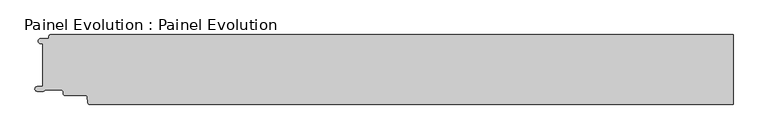
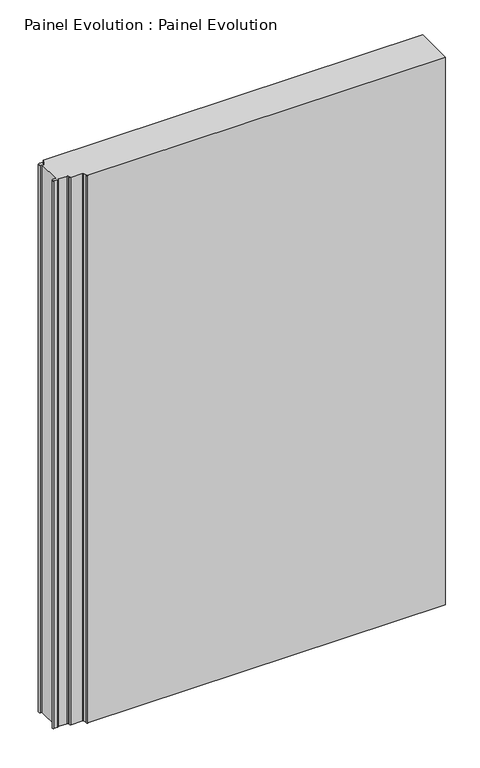
"""IFC4 building model written with IfcOpenShell, lengths in millimetres: proxy geometry, Painel Evolution : Painel Evolution."""

from ifc_helpers import new_model, si_unit, point, frame_2d, origin, origin_with_axes, place, context, project, spatial, polyline, circle_curve, trimmed, segment, composite_curve, outline, extrude, source, transform, mapped, element, save


def painel_evolution_painel_evolution_79d3c5e6(model_context):
    return source(origin(), model_context, "Body", "SweptSolid", [
        extrude(outline(composite_curve([segment(polyline([(-516.0390625, 50.0), (459.9999997, 50.0), (459.9999997, -50.0), (-459.4023864, -50.0)]), True, "CONTINUOUS"), segment(trimmed(circle_curve(frame_2d((-459.3507103, -47.1106339)), 2.8898282), [point((-459.4023864, -50.0))], [point((-462.2295384, -47.3625382))], False, "CARTESIAN"), True, "CONTINUOUS"), segment(polyline([(-462.2295384, -47.3625382), (-462.9760411, -38.8313116)]), True, "CONTINUOUS"), segment(trimmed(circle_curve(frame_2d((-464.9959051, -39.0080546)), 2.027582), [point((-462.9760411, -38.8313116))], [point((-463.3872648, -37.7738078))], True, "CARTESIAN"), True, "CONTINUOUS"), segment(trimmed(circle_curve(frame_2d((-464.9740222, -38.9912647)), 2.0), [point((-463.3872648, -37.7738078))], [point((-464.9818684, -36.99128))], True, "CARTESIAN"), True, "CONTINUOUS"), segment(polyline([(-464.9818684, -36.99128), (-494.9687938, -36.99128)]), True, "CONTINUOUS"), segment(trimmed(circle_curve(frame_2d((-494.9687938, -34.19128)), 2.8), [point((-494.9687938, -36.99128))], [point((-497.7687939, -34.19128))], False, "CARTESIAN"), True, "CONTINUOUS"), segment(polyline([(-497.7687939, -34.19128), (-497.7687939, -31.9007195)]), True, "CONTINUOUS"), segment(trimmed(circle_curve(frame_2d((-500.7687939, -31.9007195)), 3.0), [point((-497.7687939, -31.9007195))], [point((-500.7687939, -28.9007195))], True, "CARTESIAN"), True, "CONTINUOUS"), segment(polyline([(-500.7687939, -28.9007195), (-522.8062687, -28.9007195)]), True, "CONTINUOUS"), segment(trimmed(circle_curve(frame_2d((-522.8062687, -30.5007195)), 1.6), [point((-522.8062687, -28.9007195))], [point((-524.0123453, -29.4493494))], True, "CARTESIAN"), True, "CONTINUOUS"), segment(trimmed(circle_curve(frame_2d((-526.7593331, -27.7294942)), 3.2409634), [point((-524.0123453, -29.4493494))], [point((-525.2140128, -30.5783236))], False, "CARTESIAN"), True, "CONTINUOUS"), segment(trimmed(circle_curve(frame_2d((-526.3266399, -28.4518098)), 2.4), [point((-525.2140128, -30.5783236))], [point((-526.4215824, -30.8499312))], False, "CARTESIAN"), True, "CONTINUOUS"), segment(polyline([(-526.4215824, -30.8499312), (-534.7667193, -30.8499312)]), True, "CONTINUOUS"), segment(trimmed(circle_curve(frame_2d((-534.7667193, -27.5812398)), 3.2686913), [point((-534.7667193, -30.8499312))], [point((-534.9577702, -24.3181366))], False, "CARTESIAN"), True, "CONTINUOUS"), segment(polyline([(-534.9577702, -24.3181366), (-527.1155186, -24.3181366), (-527.1155186, 37.4922678), (-530.6488863, 37.4922678)]), True, "CONTINUOUS"), segment(trimmed(circle_curve(frame_2d((-529.8390625, 41.0)), 3.6), [point((-530.6488863, 37.4922678))], [point((-529.8390625, 44.6))], False, "CARTESIAN"), True, "CONTINUOUS"), segment(polyline([(-529.8390625, 44.6), (-520.0390625, 44.6)]), True, "CONTINUOUS"), segment(trimmed(circle_curve(frame_2d((-520.0390625, 46.6)), 2.0), [point((-520.0390625, 44.6))], [point((-518.0390625, 46.6))], True, "CARTESIAN"), True, "CONTINUOUS"), segment(polyline([(-518.0390625, 46.6), (-518.0390625, 48.0)]), True, "CONTINUOUS"), segment(trimmed(circle_curve(frame_2d((-516.0390625, 48.0)), 2.0), [point((-518.0390625, 48.0))], [point((-516.0390625, 50.0))], False, "CARTESIAN"), True, "CONTINUOUS")], self_intersect=False)), origin_with_axes(), (0.0, 0.0, 1.0), 1490.0),
    ])


if __name__ == "__main__":
    model = new_model("IFC4")
    model_context = context("Model", 3, world=origin())
    ifc_project = project(units=[si_unit("LENGTHUNIT", "METRE", prefix="MILLI")], contexts=[model_context])
    site = spatial("IfcSite", under=ifc_project)
    building = spatial("IfcBuilding", under=site)
    placement = place(None, origin())
    painel_evolution_painel_evolution_shape = painel_evolution_painel_evolution_79d3c5e6(model_context)
    element("IfcBuildingElementProxy", 1, Name="Painel Evolution : Painel Evolution", ObjectType="Painel Evolution : Painel Evolution", at=placement, inside=building, context=model_context, shape_type="MappedRepresentation", body=[
        mapped(painel_evolution_painel_evolution_shape, transform((0.0, 0.0, 0.0), x_axis=(1.0, 0.0, 0.0), y_axis=(0.0, 1.0, 0.0), z_axis=(0.0, 0.0, 1.0))),
    ])
    save(model, "model.ifc")
